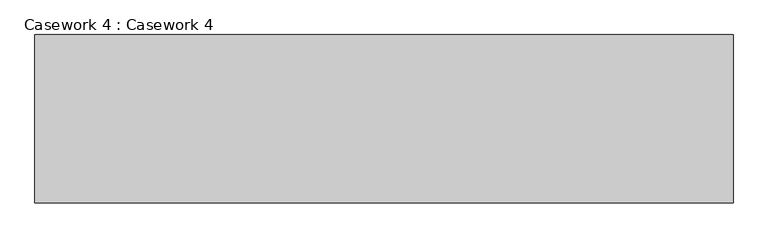
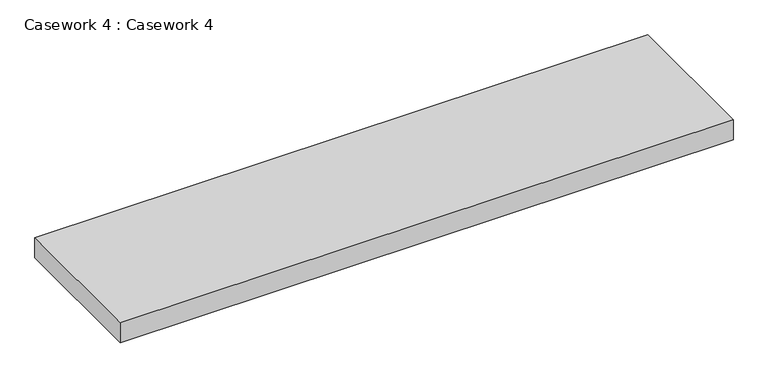
"""IFC4 building model written with IfcOpenShell, lengths in millimetres: furniture geometry, Casework 4 : Casework 4."""

import ifcopenshell
import ifcopenshell.guid

model = None  # the IFC model being written
_history = None  # IfcOwnerHistory: only IFC2X3 demands one
_inside = {}  # id of a spatial element -> (the spatial element, [elements in it])
_under = {}  # id of a project, library or spatial element -> (it, [spatial elements below it])
_declared = {}  # id of a project -> (the project, [libraries it declares])
_typed = {}  # id of a type object -> (the type object, [elements of that type])
_made_of = {}  # id of a material, layer set ... -> (it, [elements and type objects made of it])


def new_model(schema):
    """Start an empty IFC model of exactly this schema.

    Asked for "IFC4X3", IfcOpenShell would pick the latest addendum, in which some entities
    have other attributes; the version numbers below select the first issue.
    IFC2X3 requires an IfcOwnerHistory on every rooted entity: one is made here for all.
    """
    global model, _history
    if schema == "IFC4X3":
        model = ifcopenshell.file(schema_version=(4, 3, 0, 0))
    else:
        model = ifcopenshell.file(schema=schema)
    _inside.clear()
    _under.clear()
    _declared.clear()
    _typed.clear()
    _made_of.clear()
    _history = None
    if model.schema == "IFC2X3":
        org = make("IfcOrganization", Name="unknown")
        user = make(
            "IfcPersonAndOrganization",
            ThePerson=make("IfcPerson", FamilyName="unknown"),
            TheOrganization=org,
        )
        app = make(
            "IfcApplication",
            ApplicationDeveloper=org,
            Version="unknown",
            ApplicationFullName="unknown",
            ApplicationIdentifier="unknown",
        )
        _history = make(
            "IfcOwnerHistory",
            OwningUser=user,
            OwningApplication=app,
            ChangeAction="ADDED",
            CreationDate=0,
        )
    return model


def make(cls, **values):
    """One entity of the class cls with the attributes given. An attribute that is None is left unset."""
    return model.create_entity(
        cls, **{name: value for name, value in values.items() if value is not None}
    )


def rooted(cls, **values):
    """An entity with a GlobalId (a new one), such as an element, a storey or a relation."""
    return make(cls, GlobalId=ifcopenshell.guid.new(), OwnerHistory=_history, **values)


def si_unit(unit_type, name, prefix=None):
    """IfcSIUnit, for example si_unit("LENGTHUNIT", "METRE", prefix="MILLI")."""
    return make("IfcSIUnit", UnitType=unit_type, Prefix=prefix, Name=name)


def assignment(units):
    """IfcUnitAssignment: the units of a project."""
    return None if units is None else make("IfcUnitAssignment", Units=units)


def point(xyz):
    """IfcCartesianPoint."""
    return None if xyz is None else make("IfcCartesianPoint", Coordinates=xyz)


def direction(xyz):
    """IfcDirection."""
    return None if xyz is None else make("IfcDirection", DirectionRatios=xyz)


def frame(location, z_axis=None, x_axis=None):
    """IfcAxis2Placement3D, a coordinate frame: its origin and axes. An axis left out is left unset."""
    return make(
        "IfcAxis2Placement3D",
        Location=point(location),
        Axis=direction(z_axis),
        RefDirection=direction(x_axis),
    )


def origin():
    """The frame at (0, 0, 0) with its axes left unset."""
    return frame((0.0, 0.0, 0.0))


def place(relative_to, where):
    """IfcLocalPlacement: puts the frame where relative to a parent placement (None: the world)."""
    return make(
        "IfcLocalPlacement", PlacementRelTo=relative_to, RelativePlacement=where
    )


def context(
    kind, dimensions, precision=None, world=None, true_north=None, identifier=None
):
    """IfcGeometricRepresentationContext, for example the 3D "Model" context."""
    return make(
        "IfcGeometricRepresentationContext",
        ContextIdentifier=identifier,
        ContextType=kind,
        CoordinateSpaceDimension=dimensions,
        Precision=precision,
        WorldCoordinateSystem=world,
        TrueNorth=true_north,
    )


def project(units=None, contexts=None):
    """IfcProject with its units and contexts."""
    return rooted(
        "IfcProject",
        Name="project",
        RepresentationContexts=contexts,
        UnitsInContext=assignment(units),
    )


def spatial(cls, under=None, at=None, **own):
    """A site, building, storey or space (cls), placed at a placement, below another one or the project."""
    s = rooted(cls, ObjectPlacement=at, **own)
    if under is not None:
        _under.setdefault(under.id(), (under, []))[1].append(s)
    return s


def polyline(points):
    """IfcPolyline through the points."""
    return make("IfcPolyline", Points=[point(p) for p in points])


def outline(outer, holes=None, kind="AREA"):
    """IfcArbitraryClosedProfileDef: a profile drawn as a closed curve; with holes, ...WithVoids."""
    if holes is None:
        return make("IfcArbitraryClosedProfileDef", ProfileType=kind, OuterCurve=outer)
    return make(
        "IfcArbitraryProfileDefWithVoids",
        ProfileType=kind,
        OuterCurve=outer,
        InnerCurves=holes,
    )


def extrude(swept, where, along, depth):
    """IfcExtrudedAreaSolid: the profile swept, set in the frame where, extruded along a direction by depth."""
    return make(
        "IfcExtrudedAreaSolid",
        SweptArea=swept,
        Position=where,
        ExtrudedDirection=direction(along),
        Depth=depth,
    )


def shape(context_of_items, identifier, shape_type, items):
    """IfcShapeRepresentation: the items that make up one representation, for example the "Body"."""
    return make(
        "IfcShapeRepresentation",
        ContextOfItems=context_of_items,
        RepresentationIdentifier=identifier,
        RepresentationType=shape_type,
        Items=items,
    )


def source(mapping_origin, context_of_items, identifier, shape_type, items):
    """IfcRepresentationMap: a shape defined once, which mapped items show again and again."""
    return make(
        "IfcRepresentationMap",
        MappingOrigin=mapping_origin,
        MappedRepresentation=shape(context_of_items, identifier, shape_type, items),
    )


def transform(
    local_origin,
    x_axis=None,
    y_axis=None,
    z_axis=None,
    scale=None,
    scale2=None,
    scale3=None,
    uniform=True,
):
    """IfcCartesianTransformationOperator3D, or its non-uniform kind. x_axis, y_axis, z_axis: its Axis1, 2, 3."""
    if uniform:
        return make(
            "IfcCartesianTransformationOperator3D",
            Axis1=direction(x_axis),
            Axis2=direction(y_axis),
            LocalOrigin=point(local_origin),
            Scale=scale,
            Axis3=direction(z_axis),
        )
    return make(
        "IfcCartesianTransformationOperator3DnonUniform",
        Axis1=direction(x_axis),
        Axis2=direction(y_axis),
        LocalOrigin=point(local_origin),
        Scale=scale,
        Axis3=direction(z_axis),
        Scale2=scale2,
        Scale3=scale3,
    )


def mapped(mapping_source, mapping_target):
    """IfcMappedItem: shows the shape of a source again, moved by a transform."""
    return make(
        "IfcMappedItem", MappingSource=mapping_source, MappingTarget=mapping_target
    )


def made_of(thing, what):
    """Note that an element or type object is made of a material, layer set ...; save() writes the relation."""
    if what is not None:
        _made_of.setdefault(what.id(), (what, []))[1].append(thing)
    return thing


def element(
    cls,
    number,
    at=None,
    inside=None,
    cuts=None,
    type_object=None,
    material=None,
    context=None,
    identifier="Body",
    shape_type=None,
    held_by="IfcProductDefinitionShape",
    body=None,
    shapes=None,
    **own,
):
    """One element of the class cls, such as IfcWall. Its Tag is "e" and its number.

    at: its placement. inside: the storey or other place that contains it. cuts: it is an
    opening in that element (IfcRelVoidsElement). A single representation is given by context,
    identifier, shape_type and body (its items); several are given by shapes. held_by: the class
    of the entity that holds the representations. save() writes the other relations.
    """
    e = rooted(cls, Tag="e%d" % number, ObjectPlacement=at, **own)
    if body is not None:
        shapes = [shape(context, identifier, shape_type, body)]
    if shapes is not None:
        e.Representation = make(held_by, Representations=shapes)
    if inside is not None:
        _inside.setdefault(inside.id(), (inside, []))[1].append(e)
    if cuts is not None:
        rooted(
            "IfcRelVoidsElement", RelatingBuildingElement=cuts, RelatedOpeningElement=e
        )
    if type_object is not None:
        _typed.setdefault(type_object.id(), (type_object, []))[1].append(e)
    return made_of(e, material)


def aggregate(whole, parts):
    """IfcRelAggregates: a whole, such as a stair, and the parts it consists of."""
    return rooted("IfcRelAggregates", RelatingObject=whole, RelatedObjects=parts)


def save(model, path):
    """Write the relations noted so far, then the file.

    IfcRelAggregates (storeys below a building ...), IfcRelContainedInSpatialStructure (elements
    in a storey), IfcRelDefinesByType, IfcRelAssociatesMaterial and IfcRelDeclares: one each for
    every whole, place, type object, material and project.
    """
    for whole, parts in _under.values():
        aggregate(whole, parts)
    for where, things in _inside.values():
        rooted(
            "IfcRelContainedInSpatialStructure",
            RelatedElements=things,
            RelatingStructure=where,
        )
    for kind, things in _typed.values():
        rooted("IfcRelDefinesByType", RelatedObjects=things, RelatingType=kind)
    for what, things in _made_of.values():
        rooted("IfcRelAssociatesMaterial", RelatedObjects=things, RelatingMaterial=what)
    for by, libraries in _declared.values():
        rooted("IfcRelDeclares", RelatingContext=by, RelatedDefinitions=libraries)
    model.write(path)


def casework_4_casework_4_c25c54c1(model_context):
    return source(origin(), model_context, "Body", "SweptSolid", [
        extrude(outline(polyline([(1083.836323, 2496.3416356), (1083.836323, 2851.9416356), (2557.036323, 2851.9416356), (2557.036323, 2496.3416356), (1083.836323, 2496.3416356)])), frame((0.0, 0.0, 1676.4), z_axis=(0.0, 0.0, 1.0), x_axis=(1.0, 0.0, 0.0)), (0.0, 0.0, 1.0), 50.8),
    ])


if __name__ == "__main__":
    model = new_model("IFC4")
    model_context = context("Model", 3, world=origin())
    ifc_project = project(units=[si_unit("LENGTHUNIT", "METRE", prefix="MILLI")], contexts=[model_context])
    site = spatial("IfcSite", under=ifc_project)
    building = spatial("IfcBuilding", under=site)
    placement = place(None, origin())
    casework_4_casework_4_shape = casework_4_casework_4_c25c54c1(model_context)
    element("IfcFurniture", 1, ObjectType="Casework 4 : Casework 4", at=placement, inside=building, context=model_context, shape_type="MappedRepresentation", body=[
        mapped(casework_4_casework_4_shape, transform((0.0, 0.0, 0.0), x_axis=(1.0, 0.0, 0.0), y_axis=(0.0, 1.0, 0.0), z_axis=(0.0, 0.0, 1.0))),
    ])
    save(model, "model.ifc")
